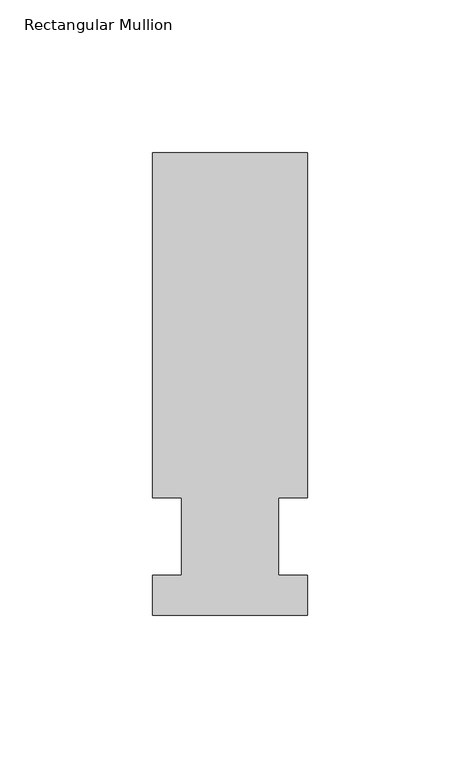
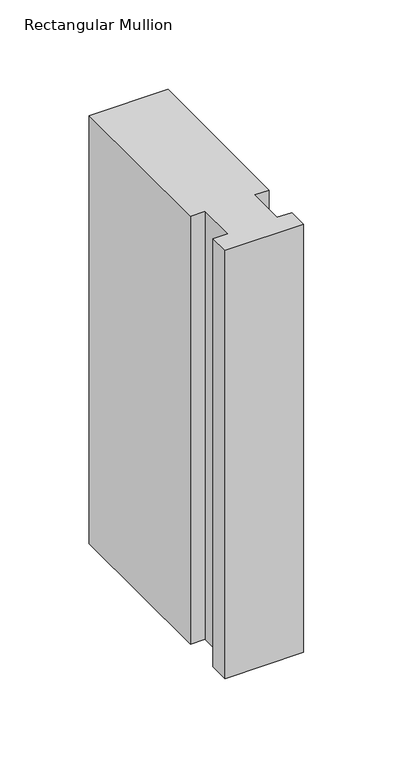
"""IFC4 building model written with IfcOpenShell, lengths in millimetres: member geometry, Rectangular Mullion."""

from ifc_helpers import new_model, si_unit, frame, origin, place, context, project, spatial, polyline, outline, extrude, source, transform, mapped, element, save


def rectangular_mullion_7c88b040(model_context):
    return source(origin(), model_context, "Body", "SweptSolid", [
        extrude(outline(polyline([(-25.4, -25.796875), (-25.4, -12.7), (-15.875, -12.7), (-15.875, 12.7), (-25.4, 12.7), (-25.4, 125.809375), (25.4, 125.809375), (25.4, 12.7), (15.875, 12.7), (15.875, -12.7), (25.4, -12.7), (25.4, -25.796875), (-25.4, -25.796875)])), frame((0.0, 0.0, -292.1), z_axis=(0.0, 0.0, 1.0), x_axis=(1.0, 0.0, 0.0)), (0.0, 0.0, 1.0), 292.1),
    ])


if __name__ == "__main__":
    model = new_model("IFC4")
    model_context = context("Model", 3, world=origin())
    ifc_project = project(units=[si_unit("LENGTHUNIT", "METRE", prefix="MILLI")], contexts=[model_context])
    site = spatial("IfcSite", under=ifc_project)
    building = spatial("IfcBuilding", under=site)
    placement = place(None, origin())
    rectangular_mullion_shape = rectangular_mullion_7c88b040(model_context)
    element("IfcMember", 1, ObjectType="Rectangular Mullion", at=placement, inside=building, context=model_context, shape_type="MappedRepresentation", body=[
        mapped(rectangular_mullion_shape, transform((0.0, 0.0, 0.0), x_axis=(1.0, 0.0, 0.0), y_axis=(0.0, 1.0, 0.0), z_axis=(0.0, 0.0, 1.0))),
    ])
    save(model, "model.ifc")
